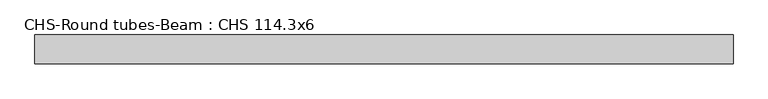
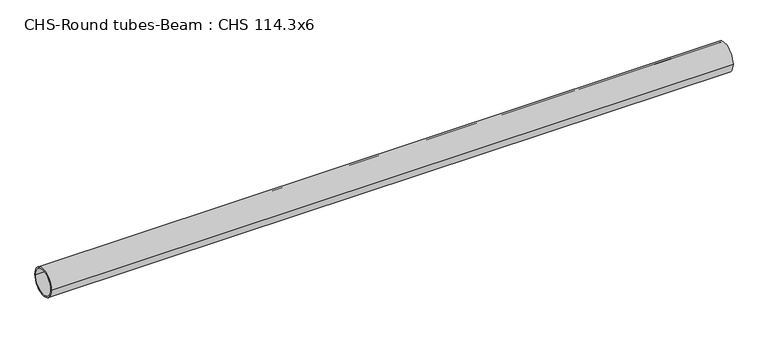
"""IFC4 building model written with IfcOpenShell, lengths in millimetres: beam geometry, CHS-Round tubes-Beam : CHS 114.3x6."""

import ifcopenshell
import ifcopenshell.guid

model = None  # the IFC model being written
_history = None  # IfcOwnerHistory: only IFC2X3 demands one
_inside = {}  # id of a spatial element -> (the spatial element, [elements in it])
_under = {}  # id of a project, library or spatial element -> (it, [spatial elements below it])
_declared = {}  # id of a project -> (the project, [libraries it declares])
_typed = {}  # id of a type object -> (the type object, [elements of that type])
_made_of = {}  # id of a material, layer set ... -> (it, [elements and type objects made of it])


def new_model(schema):
    """Start an empty IFC model of exactly this schema.

    Asked for "IFC4X3", IfcOpenShell would pick the latest addendum, in which some entities
    have other attributes; the version numbers below select the first issue.
    IFC2X3 requires an IfcOwnerHistory on every rooted entity: one is made here for all.
    """
    global model, _history
    if schema == "IFC4X3":
        model = ifcopenshell.file(schema_version=(4, 3, 0, 0))
    else:
        model = ifcopenshell.file(schema=schema)
    _inside.clear()
    _under.clear()
    _declared.clear()
    _typed.clear()
    _made_of.clear()
    _history = None
    if model.schema == "IFC2X3":
        org = make("IfcOrganization", Name="unknown")
        user = make(
            "IfcPersonAndOrganization",
            ThePerson=make("IfcPerson", FamilyName="unknown"),
            TheOrganization=org,
        )
        app = make(
            "IfcApplication",
            ApplicationDeveloper=org,
            Version="unknown",
            ApplicationFullName="unknown",
            ApplicationIdentifier="unknown",
        )
        _history = make(
            "IfcOwnerHistory",
            OwningUser=user,
            OwningApplication=app,
            ChangeAction="ADDED",
            CreationDate=0,
        )
    return model


def make(cls, **values):
    """One entity of the class cls with the attributes given. An attribute that is None is left unset."""
    return model.create_entity(
        cls, **{name: value for name, value in values.items() if value is not None}
    )


def rooted(cls, **values):
    """An entity with a GlobalId (a new one), such as an element, a storey or a relation."""
    return make(cls, GlobalId=ifcopenshell.guid.new(), OwnerHistory=_history, **values)


def si_unit(unit_type, name, prefix=None):
    """IfcSIUnit, for example si_unit("LENGTHUNIT", "METRE", prefix="MILLI")."""
    return make("IfcSIUnit", UnitType=unit_type, Prefix=prefix, Name=name)


def assignment(units):
    """IfcUnitAssignment: the units of a project."""
    return None if units is None else make("IfcUnitAssignment", Units=units)


def point(xyz):
    """IfcCartesianPoint."""
    return None if xyz is None else make("IfcCartesianPoint", Coordinates=xyz)


def direction(xyz):
    """IfcDirection."""
    return None if xyz is None else make("IfcDirection", DirectionRatios=xyz)


def frame(location, z_axis=None, x_axis=None):
    """IfcAxis2Placement3D, a coordinate frame: its origin and axes. An axis left out is left unset."""
    return make(
        "IfcAxis2Placement3D",
        Location=point(location),
        Axis=direction(z_axis),
        RefDirection=direction(x_axis),
    )


def frame_2d(location, x_axis=None):
    """IfcAxis2Placement2D, a coordinate frame in the plane: its origin and x axis."""
    return make(
        "IfcAxis2Placement2D", Location=point(location), RefDirection=direction(x_axis)
    )


def origin():
    """The frame at (0, 0, 0) with its axes left unset."""
    return frame((0.0, 0.0, 0.0))


def origin_2d():
    """The frame at (0, 0) in the plane with its x axis left unset."""
    return frame_2d((0.0, 0.0))


def place(relative_to, where):
    """IfcLocalPlacement: puts the frame where relative to a parent placement (None: the world)."""
    return make(
        "IfcLocalPlacement", PlacementRelTo=relative_to, RelativePlacement=where
    )


def context(
    kind, dimensions, precision=None, world=None, true_north=None, identifier=None
):
    """IfcGeometricRepresentationContext, for example the 3D "Model" context."""
    return make(
        "IfcGeometricRepresentationContext",
        ContextIdentifier=identifier,
        ContextType=kind,
        CoordinateSpaceDimension=dimensions,
        Precision=precision,
        WorldCoordinateSystem=world,
        TrueNorth=true_north,
    )


def project(units=None, contexts=None):
    """IfcProject with its units and contexts."""
    return rooted(
        "IfcProject",
        Name="project",
        RepresentationContexts=contexts,
        UnitsInContext=assignment(units),
    )


def spatial(cls, under=None, at=None, **own):
    """A site, building, storey or space (cls), placed at a placement, below another one or the project."""
    s = rooted(cls, ObjectPlacement=at, **own)
    if under is not None:
        _under.setdefault(under.id(), (under, []))[1].append(s)
    return s


def circle_curve(where, radius):
    """IfcCircle in the frame where."""
    return make("IfcCircle", Position=where, Radius=radius)


def trimmed(basis, trim1, trim2, sense, master):
    """IfcTrimmedCurve: the piece of a basis curve between two trims."""
    return make(
        "IfcTrimmedCurve",
        BasisCurve=basis,
        Trim1=trim1,
        Trim2=trim2,
        SenseAgreement=sense,
        MasterRepresentation=master,
    )


def segment(curve, same_sense, transition):
    """IfcCompositeCurveSegment."""
    return make(
        "IfcCompositeCurveSegment",
        Transition=transition,
        SameSense=same_sense,
        ParentCurve=curve,
    )


def composite_curve(segments, self_intersect=None):
    """IfcCompositeCurve: segments joined end to end."""
    return make("IfcCompositeCurve", Segments=segments, SelfIntersect=self_intersect)


def outline(outer, holes=None, kind="AREA"):
    """IfcArbitraryClosedProfileDef: a profile drawn as a closed curve; with holes, ...WithVoids."""
    if holes is None:
        return make("IfcArbitraryClosedProfileDef", ProfileType=kind, OuterCurve=outer)
    return make(
        "IfcArbitraryProfileDefWithVoids",
        ProfileType=kind,
        OuterCurve=outer,
        InnerCurves=holes,
    )


def extrude(swept, where, along, depth):
    """IfcExtrudedAreaSolid: the profile swept, set in the frame where, extruded along a direction by depth."""
    return make(
        "IfcExtrudedAreaSolid",
        SweptArea=swept,
        Position=where,
        ExtrudedDirection=direction(along),
        Depth=depth,
    )


def shape(context_of_items, identifier, shape_type, items):
    """IfcShapeRepresentation: the items that make up one representation, for example the "Body"."""
    return make(
        "IfcShapeRepresentation",
        ContextOfItems=context_of_items,
        RepresentationIdentifier=identifier,
        RepresentationType=shape_type,
        Items=items,
    )


def source(mapping_origin, context_of_items, identifier, shape_type, items):
    """IfcRepresentationMap: a shape defined once, which mapped items show again and again."""
    return make(
        "IfcRepresentationMap",
        MappingOrigin=mapping_origin,
        MappedRepresentation=shape(context_of_items, identifier, shape_type, items),
    )


def transform(
    local_origin,
    x_axis=None,
    y_axis=None,
    z_axis=None,
    scale=None,
    scale2=None,
    scale3=None,
    uniform=True,
):
    """IfcCartesianTransformationOperator3D, or its non-uniform kind. x_axis, y_axis, z_axis: its Axis1, 2, 3."""
    if uniform:
        return make(
            "IfcCartesianTransformationOperator3D",
            Axis1=direction(x_axis),
            Axis2=direction(y_axis),
            LocalOrigin=point(local_origin),
            Scale=scale,
            Axis3=direction(z_axis),
        )
    return make(
        "IfcCartesianTransformationOperator3DnonUniform",
        Axis1=direction(x_axis),
        Axis2=direction(y_axis),
        LocalOrigin=point(local_origin),
        Scale=scale,
        Axis3=direction(z_axis),
        Scale2=scale2,
        Scale3=scale3,
    )


def mapped(mapping_source, mapping_target):
    """IfcMappedItem: shows the shape of a source again, moved by a transform."""
    return make(
        "IfcMappedItem", MappingSource=mapping_source, MappingTarget=mapping_target
    )


def made_of(thing, what):
    """Note that an element or type object is made of a material, layer set ...; save() writes the relation."""
    if what is not None:
        _made_of.setdefault(what.id(), (what, []))[1].append(thing)
    return thing


def element(
    cls,
    number,
    at=None,
    inside=None,
    cuts=None,
    type_object=None,
    material=None,
    context=None,
    identifier="Body",
    shape_type=None,
    held_by="IfcProductDefinitionShape",
    body=None,
    shapes=None,
    **own,
):
    """One element of the class cls, such as IfcWall. Its Tag is "e" and its number.

    at: its placement. inside: the storey or other place that contains it. cuts: it is an
    opening in that element (IfcRelVoidsElement). A single representation is given by context,
    identifier, shape_type and body (its items); several are given by shapes. held_by: the class
    of the entity that holds the representations. save() writes the other relations.
    """
    e = rooted(cls, Tag="e%d" % number, ObjectPlacement=at, **own)
    if body is not None:
        shapes = [shape(context, identifier, shape_type, body)]
    if shapes is not None:
        e.Representation = make(held_by, Representations=shapes)
    if inside is not None:
        _inside.setdefault(inside.id(), (inside, []))[1].append(e)
    if cuts is not None:
        rooted(
            "IfcRelVoidsElement", RelatingBuildingElement=cuts, RelatedOpeningElement=e
        )
    if type_object is not None:
        _typed.setdefault(type_object.id(), (type_object, []))[1].append(e)
    return made_of(e, material)


def aggregate(whole, parts):
    """IfcRelAggregates: a whole, such as a stair, and the parts it consists of."""
    return rooted("IfcRelAggregates", RelatingObject=whole, RelatedObjects=parts)


def save(model, path):
    """Write the relations noted so far, then the file.

    IfcRelAggregates (storeys below a building ...), IfcRelContainedInSpatialStructure (elements
    in a storey), IfcRelDefinesByType, IfcRelAssociatesMaterial and IfcRelDeclares: one each for
    every whole, place, type object, material and project.
    """
    for whole, parts in _under.values():
        aggregate(whole, parts)
    for where, things in _inside.values():
        rooted(
            "IfcRelContainedInSpatialStructure",
            RelatedElements=things,
            RelatingStructure=where,
        )
    for kind, things in _typed.values():
        rooted("IfcRelDefinesByType", RelatedObjects=things, RelatingType=kind)
    for what, things in _made_of.values():
        rooted("IfcRelAssociatesMaterial", RelatedObjects=things, RelatingMaterial=what)
    for by, libraries in _declared.values():
        rooted("IfcRelDeclares", RelatingContext=by, RelatedDefinitions=libraries)
    model.write(path)


def chs_round_tubes_beam_chs_114_3x6_aef3602d(model_context):
    return source(origin(), model_context, "Body", "SweptSolid", [
        extrude(outline(composite_curve([segment(trimmed(circle_curve(origin_2d(), 57.15), [point((57.15, 0.0))], [point((-57.15, 0.0))], False, "CARTESIAN"), True, "CONTINUOUS"), segment(trimmed(circle_curve(origin_2d(), 57.15), [point((-57.15, 0.0))], [point((57.15, 0.0))], False, "CARTESIAN"), True, "CONTINUOUS")], self_intersect=False), holes=[composite_curve([segment(trimmed(circle_curve(origin_2d(), 51.15), [point((51.15, 0.0))], [point((-51.15, 0.0))], True, "CARTESIAN"), True, "CONTINUOUS"), segment(trimmed(circle_curve(origin_2d(), 51.15), [point((-51.15, 0.0))], [point((51.15, 0.0))], True, "CARTESIAN"), True, "CONTINUOUS")], self_intersect=False)]), frame((-1298.5037107, 0.0, 0.0), z_axis=(1.0, 0.0, 0.0), x_axis=(0.0, 1.0, 0.0)), (0.0, 0.0, 1.0), 2760.9115403),
    ])


if __name__ == "__main__":
    model = new_model("IFC4")
    model_context = context("Model", 3, world=origin())
    ifc_project = project(units=[si_unit("LENGTHUNIT", "METRE", prefix="MILLI")], contexts=[model_context])
    site = spatial("IfcSite", under=ifc_project)
    building = spatial("IfcBuilding", under=site)
    placement = place(None, origin())
    chs_round_tubes_beam_chs_114_3x6_shape = chs_round_tubes_beam_chs_114_3x6_aef3602d(model_context)
    element("IfcBeam", 1, ObjectType="CHS-Round tubes-Beam : CHS 114.3x6", at=placement, inside=building, context=model_context, shape_type="MappedRepresentation", body=[
        mapped(chs_round_tubes_beam_chs_114_3x6_shape, transform((0.0, 0.0, 0.0), x_axis=(1.0, 0.0, 0.0), y_axis=(0.0, 1.0, 0.0), z_axis=(0.0, 0.0, 1.0))),
    ])
    save(model, "model.ifc")
